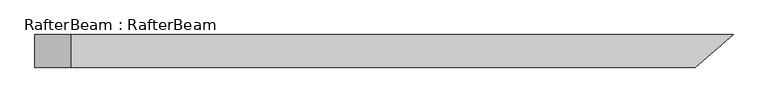
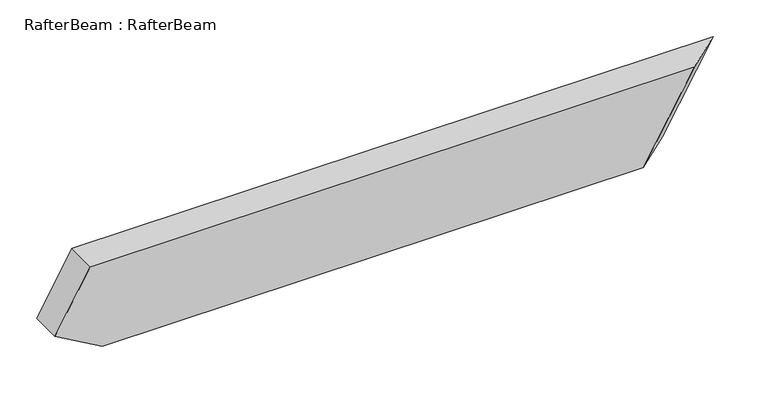
"""IFC4 building model written with IfcOpenShell, lengths in millimetres: beam geometry, RafterBeam : RafterBeam."""

import ifcopenshell
import ifcopenshell.guid

model = None  # the IFC model being written
_history = None  # IfcOwnerHistory: only IFC2X3 demands one
_inside = {}  # id of a spatial element -> (the spatial element, [elements in it])
_under = {}  # id of a project, library or spatial element -> (it, [spatial elements below it])
_declared = {}  # id of a project -> (the project, [libraries it declares])
_typed = {}  # id of a type object -> (the type object, [elements of that type])
_made_of = {}  # id of a material, layer set ... -> (it, [elements and type objects made of it])


def new_model(schema):
    """Start an empty IFC model of exactly this schema.

    Asked for "IFC4X3", IfcOpenShell would pick the latest addendum, in which some entities
    have other attributes; the version numbers below select the first issue.
    IFC2X3 requires an IfcOwnerHistory on every rooted entity: one is made here for all.
    """
    global model, _history
    if schema == "IFC4X3":
        model = ifcopenshell.file(schema_version=(4, 3, 0, 0))
    else:
        model = ifcopenshell.file(schema=schema)
    _inside.clear()
    _under.clear()
    _declared.clear()
    _typed.clear()
    _made_of.clear()
    _history = None
    if model.schema == "IFC2X3":
        org = make("IfcOrganization", Name="unknown")
        user = make(
            "IfcPersonAndOrganization",
            ThePerson=make("IfcPerson", FamilyName="unknown"),
            TheOrganization=org,
        )
        app = make(
            "IfcApplication",
            ApplicationDeveloper=org,
            Version="unknown",
            ApplicationFullName="unknown",
            ApplicationIdentifier="unknown",
        )
        _history = make(
            "IfcOwnerHistory",
            OwningUser=user,
            OwningApplication=app,
            ChangeAction="ADDED",
            CreationDate=0,
        )
    return model


def make(cls, **values):
    """One entity of the class cls with the attributes given. An attribute that is None is left unset."""
    return model.create_entity(
        cls, **{name: value for name, value in values.items() if value is not None}
    )


def rooted(cls, **values):
    """An entity with a GlobalId (a new one), such as an element, a storey or a relation."""
    return make(cls, GlobalId=ifcopenshell.guid.new(), OwnerHistory=_history, **values)


def si_unit(unit_type, name, prefix=None):
    """IfcSIUnit, for example si_unit("LENGTHUNIT", "METRE", prefix="MILLI")."""
    return make("IfcSIUnit", UnitType=unit_type, Prefix=prefix, Name=name)


def assignment(units):
    """IfcUnitAssignment: the units of a project."""
    return None if units is None else make("IfcUnitAssignment", Units=units)


def point(xyz):
    """IfcCartesianPoint."""
    return None if xyz is None else make("IfcCartesianPoint", Coordinates=xyz)


def direction(xyz):
    """IfcDirection."""
    return None if xyz is None else make("IfcDirection", DirectionRatios=xyz)


def frame(location, z_axis=None, x_axis=None):
    """IfcAxis2Placement3D, a coordinate frame: its origin and axes. An axis left out is left unset."""
    return make(
        "IfcAxis2Placement3D",
        Location=point(location),
        Axis=direction(z_axis),
        RefDirection=direction(x_axis),
    )


def origin():
    """The frame at (0, 0, 0) with its axes left unset."""
    return frame((0.0, 0.0, 0.0))


def place(relative_to, where):
    """IfcLocalPlacement: puts the frame where relative to a parent placement (None: the world)."""
    return make(
        "IfcLocalPlacement", PlacementRelTo=relative_to, RelativePlacement=where
    )


def context(
    kind, dimensions, precision=None, world=None, true_north=None, identifier=None
):
    """IfcGeometricRepresentationContext, for example the 3D "Model" context."""
    return make(
        "IfcGeometricRepresentationContext",
        ContextIdentifier=identifier,
        ContextType=kind,
        CoordinateSpaceDimension=dimensions,
        Precision=precision,
        WorldCoordinateSystem=world,
        TrueNorth=true_north,
    )


def project(units=None, contexts=None):
    """IfcProject with its units and contexts."""
    return rooted(
        "IfcProject",
        Name="project",
        RepresentationContexts=contexts,
        UnitsInContext=assignment(units),
    )


def spatial(cls, under=None, at=None, **own):
    """A site, building, storey or space (cls), placed at a placement, below another one or the project."""
    s = rooted(cls, ObjectPlacement=at, **own)
    if under is not None:
        _under.setdefault(under.id(), (under, []))[1].append(s)
    return s


def faces_of(points, faces, orient=None, outer=None):
    """IfcFace entities. A face is a list of loops; a loop is a list of indices into points, from 0.

    orient and outer hold one flag for each loop. By default every Orientation is true, the
    first loop of a face is its IfcFaceOuterBound and the others are IfcFaceBound.
    """
    made = []
    for i, loops in enumerate(faces):
        bounds = []
        for j, loop in enumerate(loops):
            is_outer = j == 0 if outer is None else outer[i][j]
            bounds.append(
                make(
                    "IfcFaceOuterBound" if is_outer else "IfcFaceBound",
                    Bound=make("IfcPolyLoop", Polygon=[points[k] for k in loop]),
                    Orientation=True if orient is None else orient[i][j],
                )
            )
        made.append(make("IfcFace", Bounds=bounds))
    return made


def faceted_brep(points, faces, orient=None, outer=None, voids=None):
    """IfcFacetedBrep: a solid bounded by flat faces; with voids (closed shells), ...WithVoids."""
    shared = [point(p) for p in points]
    hull = make("IfcClosedShell", CfsFaces=faces_of(shared, faces, orient, outer))
    if voids is None:
        return make("IfcFacetedBrep", Outer=hull)
    return make(
        "IfcFacetedBrepWithVoids",
        Outer=hull,
        Voids=[
            make(cls, CfsFaces=faces_of(shared, fs, o, b)) for cls, fs, o, b in voids
        ],
    )


def shape(context_of_items, identifier, shape_type, items):
    """IfcShapeRepresentation: the items that make up one representation, for example the "Body"."""
    return make(
        "IfcShapeRepresentation",
        ContextOfItems=context_of_items,
        RepresentationIdentifier=identifier,
        RepresentationType=shape_type,
        Items=items,
    )


def source(mapping_origin, context_of_items, identifier, shape_type, items):
    """IfcRepresentationMap: a shape defined once, which mapped items show again and again."""
    return make(
        "IfcRepresentationMap",
        MappingOrigin=mapping_origin,
        MappedRepresentation=shape(context_of_items, identifier, shape_type, items),
    )


def transform(
    local_origin,
    x_axis=None,
    y_axis=None,
    z_axis=None,
    scale=None,
    scale2=None,
    scale3=None,
    uniform=True,
):
    """IfcCartesianTransformationOperator3D, or its non-uniform kind. x_axis, y_axis, z_axis: its Axis1, 2, 3."""
    if uniform:
        return make(
            "IfcCartesianTransformationOperator3D",
            Axis1=direction(x_axis),
            Axis2=direction(y_axis),
            LocalOrigin=point(local_origin),
            Scale=scale,
            Axis3=direction(z_axis),
        )
    return make(
        "IfcCartesianTransformationOperator3DnonUniform",
        Axis1=direction(x_axis),
        Axis2=direction(y_axis),
        LocalOrigin=point(local_origin),
        Scale=scale,
        Axis3=direction(z_axis),
        Scale2=scale2,
        Scale3=scale3,
    )


def mapped(mapping_source, mapping_target):
    """IfcMappedItem: shows the shape of a source again, moved by a transform."""
    return make(
        "IfcMappedItem", MappingSource=mapping_source, MappingTarget=mapping_target
    )


def made_of(thing, what):
    """Note that an element or type object is made of a material, layer set ...; save() writes the relation."""
    if what is not None:
        _made_of.setdefault(what.id(), (what, []))[1].append(thing)
    return thing


def element(
    cls,
    number,
    at=None,
    inside=None,
    cuts=None,
    type_object=None,
    material=None,
    context=None,
    identifier="Body",
    shape_type=None,
    held_by="IfcProductDefinitionShape",
    body=None,
    shapes=None,
    **own,
):
    """One element of the class cls, such as IfcWall. Its Tag is "e" and its number.

    at: its placement. inside: the storey or other place that contains it. cuts: it is an
    opening in that element (IfcRelVoidsElement). A single representation is given by context,
    identifier, shape_type and body (its items); several are given by shapes. held_by: the class
    of the entity that holds the representations. save() writes the other relations.
    """
    e = rooted(cls, Tag="e%d" % number, ObjectPlacement=at, **own)
    if body is not None:
        shapes = [shape(context, identifier, shape_type, body)]
    if shapes is not None:
        e.Representation = make(held_by, Representations=shapes)
    if inside is not None:
        _inside.setdefault(inside.id(), (inside, []))[1].append(e)
    if cuts is not None:
        rooted(
            "IfcRelVoidsElement", RelatingBuildingElement=cuts, RelatedOpeningElement=e
        )
    if type_object is not None:
        _typed.setdefault(type_object.id(), (type_object, []))[1].append(e)
    return made_of(e, material)


def aggregate(whole, parts):
    """IfcRelAggregates: a whole, such as a stair, and the parts it consists of."""
    return rooted("IfcRelAggregates", RelatingObject=whole, RelatedObjects=parts)


def save(model, path):
    """Write the relations noted so far, then the file.

    IfcRelAggregates (storeys below a building ...), IfcRelContainedInSpatialStructure (elements
    in a storey), IfcRelDefinesByType, IfcRelAssociatesMaterial and IfcRelDeclares: one each for
    every whole, place, type object, material and project.
    """
    for whole, parts in _under.values():
        aggregate(whole, parts)
    for where, things in _inside.values():
        rooted(
            "IfcRelContainedInSpatialStructure",
            RelatedElements=things,
            RelatingStructure=where,
        )
    for kind, things in _typed.values():
        rooted("IfcRelDefinesByType", RelatedObjects=things, RelatingType=kind)
    for what, things in _made_of.values():
        rooted("IfcRelAssociatesMaterial", RelatedObjects=things, RelatingMaterial=what)
    for by, libraries in _declared.values():
        rooted("IfcRelDeclares", RelatingContext=by, RelatedDefinitions=libraries)
    model.write(path)


def rafterbeam_rafterbeam_b2842a8c(model_context):
    return source(origin(), model_context, "Body", "Brep", [
        faceted_brep([(442.439104, -25.0, 70.0), (500.7079657, 25.0, 70.0), (-512.3983639, 25.0, 70.0), (-512.3983639, -25.0, 70.0), (419.878928, 25.0, -70.0), (361.6100664, -25.0, -70.0), (-493.2274016, -25.0, -70.0), (-493.2274016, 25.0, -70.0), (-568.2274016, 25.0, -26.6987298), (-568.2274016, -25.0, -26.6987298)], [[[0, 1, 2, 3]], [[4, 5, 6, 7]], [[1, 4, 7, 8, 2]], [[5, 0, 3, 9, 6]], [[0, 5, 4, 1]], [[3, 2, 8, 9]], [[7, 6, 9, 8]]]),
    ])


if __name__ == "__main__":
    model = new_model("IFC4")
    model_context = context("Model", 3, world=origin())
    ifc_project = project(units=[si_unit("LENGTHUNIT", "METRE", prefix="MILLI")], contexts=[model_context])
    site = spatial("IfcSite", under=ifc_project)
    building = spatial("IfcBuilding", under=site)
    placement = place(None, origin())
    rafterbeam_rafterbeam_shape = rafterbeam_rafterbeam_b2842a8c(model_context)
    element("IfcBeam", 1, ObjectType="RafterBeam : RafterBeam", at=placement, inside=building, context=model_context, shape_type="MappedRepresentation", body=[
        mapped(rafterbeam_rafterbeam_shape, transform((0.0, 0.0, 0.0), x_axis=(1.0, 0.0, 0.0), y_axis=(0.0, 1.0, 0.0), z_axis=(0.0, 0.0, 1.0))),
    ])
    save(model, "model.ifc")
